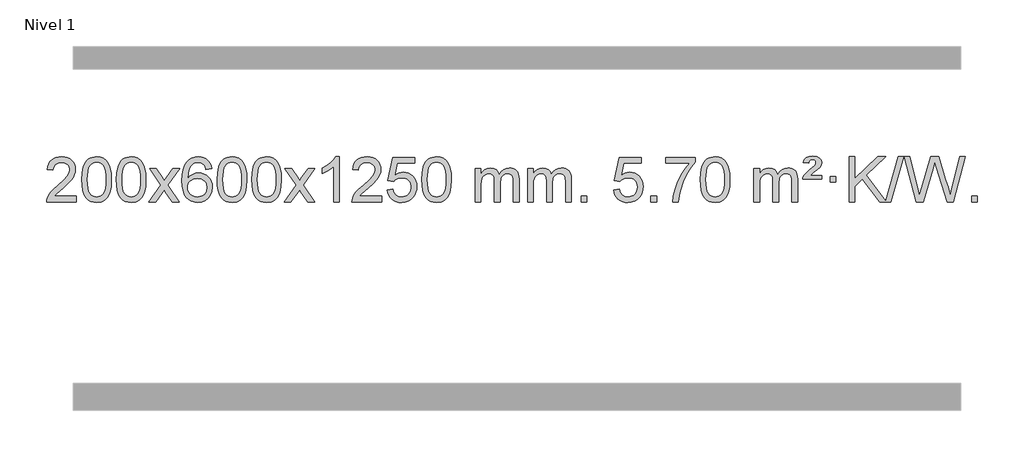
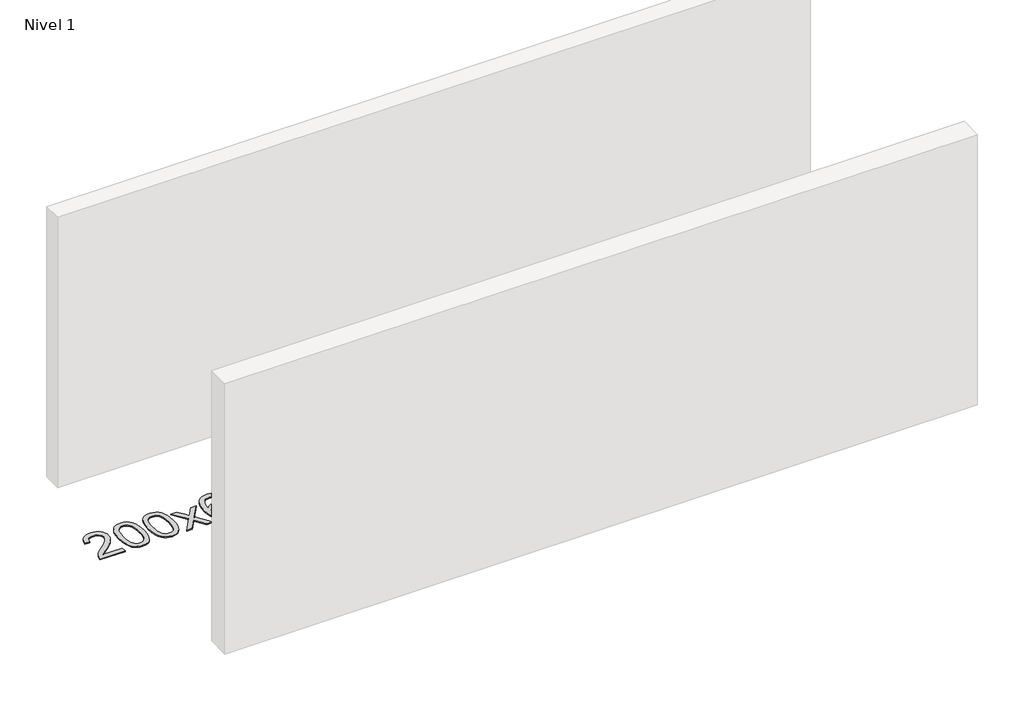
# One storey, part 3 of 12: 1 proxy.
"""IFC4 building model written with IfcOpenShell, lengths in millimetres."""

from ifc_helpers import new_model, si_unit, origin, origin_with_axes, place, context, project, spatial, polyline, outline, extrude, element, save

model = new_model("IFC4")

# Units and contexts
model_context = context("Model", 3, world=origin())
ifc_project = project(units=[si_unit("LENGTHUNIT", "METRE", prefix="MILLI")], contexts=[model_context])

# Site, building, storey
site = spatial("IfcSite", under=ifc_project)
building = spatial("IfcBuilding", under=site)
storey = spatial("IfcBuildingStorey", under=building, Name="Nivel 1", Elevation=0.0)

# Proxy
placement = place(None, origin())
element("IfcBuildingElementProxy", 1, Name="Texto de modelo 1", ObjectType="Texto de modelo 1", at=placement, inside=storey, context=model_context, shape_type="SweptSolid", body=[
    extrude(outline(polyline([(-6506.3978655, -24365.3512979), (-6506.3978655, -24415.579453), (-6770.0956797, -24415.579453), (-6768.9920337, -24397.8965918), (-6764.7000771, -24380.9494945), (-6752.3147166, -24353.8856424), (-6734.190397, -24327.6311307), (-6707.9726734, -24300.1503456), (-6671.3071012, -24269.4076736), (-6617.1058206, -24221.2641831), (-6584.5850522, -24185.7267824), (-6568.3246681, -24156.884834), (-6562.90454, -24128.8277005), (-6568.0180997, -24103.6768347), (-6583.3587789, -24082.7688747), (-6606.9400148, -24068.6789943), (-6636.7752446, -24063.9823675), (-6668.1065279, -24068.5686297), (-6692.4480532, -24082.3274163), (-6708.1566144, -24104.1796068), (-6713.5890052, -24133.0460807), (-6763.8171603, -24126.7675613), (-6759.4976125, -24100.838012), (-6751.6402663, -24078.1826125), (-6740.2451215, -24058.8013627), (-6725.3121781, -24042.6942627), (-6707.1847928, -24030.0329907), (-6686.206322, -24020.989225), (-6662.3767658, -24015.5629655), (-6635.6961241, -24013.7542124), (-6608.7763591, -24015.7653006), (-6584.8180442, -24021.7985654), (-6563.8211793, -24031.8540066), (-6545.7857645, -24045.9316242), (-6531.3004109, -24062.9890861), (-6520.9537298, -24081.9840598), (-6514.7457211, -24102.9165453), (-6512.6763849, -24125.7865427), (-6514.9082024, -24149.8092369), (-6521.6036547, -24173.4149983), (-6533.4862431, -24197.4254299), (-6551.2794689, -24222.6621347), (-6579.6431708, -24252.7916701), (-6623.2371872, -24291.4805933), (-6681.0191859, -24339.795762), (-6703.6807168, -24365.3512979), (-6506.3978655, -24365.3512979)])), origin_with_axes(), (0.0, 0.0, 1.0), 10.0),
    extrude(outline(polyline([(-6456.1697105, -24217.9041943), (-6452.4786278, -24153.5861588), (-6441.4053797, -24102.2911459), (-6423.0603309, -24063.2343407), (-6411.2022679, -24048.0009605), (-6397.5538459, -24035.6309284), (-6382.0690796, -24026.0598651), (-6364.7019837, -24019.2233914), (-6324.3208034, -24013.7542124), (-6293.3696649, -24016.991574), (-6265.6558879, -24026.7036586), (-6242.4793222, -24042.5103217), (-6225.1398175, -24064.0314184), (-6212.0432185, -24091.0830078), (-6201.5953698, -24123.4811488), (-6194.7527647, -24164.6226186), (-6192.4718963, -24217.9041943), (-6196.1261908, -24281.8543477), (-6207.0890743, -24333.0267333), (-6225.3237585, -24372.1203266), (-6237.1542303, -24387.3996922), (-6250.7934553, -24399.8341036), (-6266.2966157, -24409.4695462), (-6283.7188939, -24416.3520052), (-6324.3208034, -24421.8579724), (-6351.9855294, -24419.4667394), (-6376.5109958, -24412.2930405), (-6397.8972024, -24400.3368757), (-6416.1441494, -24383.5982449), (-6433.6553324, -24353.3399508), (-6446.1633202, -24315.6381776), (-6453.6681129, -24270.4929255), (-6456.1697105, -24217.9041943)]), holes=[polyline([(-6405.9415554, -24217.8060924), (-6404.4700274, -24261.4706195), (-6400.0554435, -24296.8148822), (-6392.6978036, -24323.8388804), (-6382.3971077, -24342.5426142), (-6369.9381708, -24355.2682656), (-6356.1058078, -24364.3580165), (-6340.9000186, -24369.8118671), (-6324.3208034, -24371.6298173), (-6307.7415881, -24369.8057357), (-6292.535799, -24364.3334911), (-6278.703436, -24355.2130833), (-6266.2444991, -24342.4445124), (-6255.9438032, -24323.7101217), (-6248.5861633, -24296.6922549), (-6244.1715794, -24261.3909118), (-6242.7000514, -24217.8060924), (-6244.1225284, -24175.2973278), (-6248.3899596, -24140.5753989), (-6255.5023448, -24113.6403055), (-6265.4596842, -24094.4920476), (-6277.7101546, -24081.1440625), (-6291.7019332, -24071.6097875), (-6307.4350198, -24065.8892225), (-6324.9094146, -24063.9823675), (-6341.4027907, -24065.6623619), (-6356.3510624, -24070.7023452), (-6369.7542298, -24079.1023175), (-6381.6122928, -24090.8622786), (-6392.2563452, -24111.708925), (-6399.8592397, -24139.8151094), (-6404.4209765, -24175.1808319), (-6405.9415554, -24217.8060924)])]), origin_with_axes(), (0.0, 0.0, 1.0), 10.0),
    extrude(outline(polyline([(-6148.5222606, -24217.9041943), (-6144.8311779, -24153.5861588), (-6133.7579299, -24102.2911459), (-6115.4128811, -24063.2343407), (-6103.5548181, -24048.0009605), (-6089.9063961, -24035.6309284), (-6074.4216298, -24026.0598651), (-6057.0545339, -24019.2233914), (-6016.6733536, -24013.7542124), (-5985.722215, -24016.991574), (-5958.0084381, -24026.7036586), (-5934.8318724, -24042.5103217), (-5917.4923677, -24064.0314184), (-5904.3957686, -24091.0830078), (-5893.94792, -24123.4811488), (-5887.1053149, -24164.6226186), (-5884.8244465, -24217.9041943), (-5888.478741, -24281.8543477), (-5899.4416244, -24333.0267333), (-5917.6763087, -24372.1203266), (-5929.5067805, -24387.3996922), (-5943.1460055, -24399.8341036), (-5958.6491659, -24409.4695462), (-5976.071444, -24416.3520052), (-6016.6733536, -24421.8579724), (-6044.3380796, -24419.4667394), (-6068.8635459, -24412.2930405), (-6090.2497526, -24400.3368757), (-6108.4966996, -24383.5982449), (-6126.0078825, -24353.3399508), (-6138.5158704, -24315.6381776), (-6146.0206631, -24270.4929255), (-6148.5222606, -24217.9041943)]), holes=[polyline([(-6098.2941056, -24217.8060924), (-6096.8225776, -24261.4706195), (-6092.4079936, -24296.8148822), (-6085.0503537, -24323.8388804), (-6074.7496579, -24342.5426142), (-6062.290721, -24355.2682656), (-6048.4583579, -24364.3580165), (-6033.2525688, -24369.8118671), (-6016.6733536, -24371.6298173), (-6000.0941383, -24369.8057357), (-5984.8883492, -24364.3334911), (-5971.0559862, -24355.2130833), (-5958.5970493, -24342.4445124), (-5948.2963534, -24323.7101217), (-5940.9387135, -24296.6922549), (-5936.5241295, -24261.3909118), (-5935.0526016, -24217.8060924), (-5936.4750786, -24175.2973278), (-5940.7425098, -24140.5753989), (-5947.854895, -24113.6403055), (-5957.8122343, -24094.4920476), (-5970.0627048, -24081.1440625), (-5984.0544833, -24071.6097875), (-5999.78757, -24065.8892225), (-6017.2619648, -24063.9823675), (-6033.7553409, -24065.6623619), (-6048.7036126, -24070.7023452), (-6062.10678, -24079.1023175), (-6073.9648429, -24090.8622786), (-6084.6088953, -24111.708925), (-6092.2117899, -24139.8151094), (-6096.7735266, -24175.1808319), (-6098.2941056, -24217.8060924)])]), origin_with_axes(), (0.0, 0.0, 1.0), 10.0),
    extrude(outline(polyline([(-5859.7103689, -24415.579453), (-5752.3869282, -24267.2494325), (-5853.4318496, -24120.4890419), (-5793.0011005, -24120.4890419), (-5744.2444734, -24191.122385), (-5721.4848406, -24224.4770192), (-5701.7663657, -24197.2047007), (-5646.2407099, -24120.4890419), (-5585.8099608, -24120.4890419), (-5691.9561791, -24267.2494325), (-5589.7340354, -24415.579453), (-5650.1647845, -24415.579453), (-5711.6746541, -24326.4048574), (-5722.9563686, -24310.1199477), (-5799.2796199, -24415.579453), (-5859.7103689, -24415.579453)])), origin_with_axes(), (0.0, 0.0, 1.0), 10.0),
    extrude(outline(polyline([(-5300.9221437, -24120.4890419), (-5351.1502988, -24126.7675613), (-5359.2437027, -24101.874213), (-5370.1820607, -24084.8780648), (-5392.9662189, -24069.2062918), (-5420.5083176, -24063.9823675), (-5443.8565616, -24067.0235253), (-5465.8313794, -24076.1469988), (-5484.7037258, -24095.3627017), (-5500.1179814, -24121.8134171), (-5510.5290419, -24159.227016), (-5514.3918028, -24211.3313693), (-5494.2441322, -24187.8237098), (-5470.0988106, -24171.2567573), (-5443.3047386, -24161.434308), (-5415.2108169, -24158.1601582), (-5391.077758, -24160.398107), (-5368.8086346, -24167.1119534), (-5348.4034466, -24178.3016975), (-5329.862194, -24193.9673391), (-5314.4540698, -24213.1769106), (-5303.4482668, -24234.9984443), (-5296.844785, -24259.4319401), (-5294.6436244, -24286.4773982), (-5298.7884282, -24322.4439945), (-5311.2228396, -24355.786366), (-5330.9167891, -24384.0642287), (-5356.840207, -24404.8372987), (-5387.815871, -24417.602804), (-5422.6665587, -24421.8579724), (-5452.6090874, -24419.0375437), (-5479.6514797, -24410.5762579), (-5503.7937357, -24396.4741147), (-5525.0358552, -24376.7311143), (-5542.3539001, -24350.5133908), (-5554.7239322, -24316.9870783), (-5562.1459515, -24276.1521768), (-5564.6199579, -24228.0086864), (-5561.8731057, -24174.0342663), (-5553.632549, -24127.9693092), (-5539.8982878, -24089.8138149), (-5520.6703222, -24059.5677835), (-5499.8298072, -24039.5243462), (-5475.6660915, -24025.2076052), (-5448.179175, -24016.6175606), (-5417.3690579, -24013.7542124), (-5394.2354118, -24015.5261773), (-5373.2967949, -24020.8420722), (-5354.5532073, -24029.7018969), (-5338.0046489, -24042.1056515), (-5324.0987094, -24057.6364031), (-5313.2829788, -24075.8772186), (-5305.5574569, -24096.8280983), (-5300.9221437, -24120.4890419)]), holes=[polyline([(-5514.3918028, -24285.6925832), (-5511.485535, -24307.9494439), (-5502.7667318, -24329.2007605), (-5489.2286743, -24347.472233), (-5471.8646442, -24360.7895612), (-5450.9076332, -24368.9197533), (-5426.5906333, -24371.6298173), (-5393.4444655, -24366.0134855), (-5379.5293291, -24358.9930708), (-5367.3861575, -24349.1644901), (-5357.5361171, -24336.9262824), (-5350.500374, -24322.6769865), (-5344.8717794, -24288.1451299), (-5350.4267976, -24254.9989621), (-5357.3705702, -24241.3781312), (-5367.0918519, -24229.725469), (-5379.2718117, -24220.3904634), (-5393.5916183, -24213.7226022), (-5428.6507725, -24208.3883133), (-5461.7478893, -24213.7226022), (-5489.4248781, -24229.725469), (-5500.3479076, -24241.2248471), (-5508.1500716, -24254.3858254), (-5512.83137, -24269.2084042), (-5514.3918028, -24285.6925832)])]), origin_with_axes(), (0.0, 0.0, 1.0), 10.0),
    extrude(outline(polyline([(-5250.6939887, -24217.9041943), (-5247.002906, -24153.5861588), (-5235.9296579, -24102.2911459), (-5217.5846091, -24063.2343407), (-5205.7265461, -24048.0009605), (-5192.0781241, -24035.6309284), (-5176.5933578, -24026.0598651), (-5159.2262619, -24019.2233914), (-5118.8450816, -24013.7542124), (-5087.8939431, -24016.991574), (-5060.1801661, -24026.7036586), (-5037.0036004, -24042.5103217), (-5019.6640957, -24064.0314184), (-5006.5674967, -24091.0830078), (-4996.119648, -24123.4811488), (-4989.2770429, -24164.6226186), (-4986.9961745, -24217.9041943), (-4990.650469, -24281.8543477), (-5001.6133525, -24333.0267333), (-5019.8480367, -24372.1203266), (-5031.6785085, -24387.3996922), (-5045.3177335, -24399.8341036), (-5060.8208939, -24409.4695462), (-5078.2431721, -24416.3520052), (-5118.8450816, -24421.8579724), (-5146.5098076, -24419.4667394), (-5171.035274, -24412.2930405), (-5192.4214806, -24400.3368757), (-5210.6684276, -24383.5982449), (-5228.1796106, -24353.3399508), (-5240.6875984, -24315.6381776), (-5248.1923911, -24270.4929255), (-5250.6939887, -24217.9041943)]), holes=[polyline([(-5200.4658336, -24217.8060924), (-5198.9943056, -24261.4706195), (-5194.5797217, -24296.8148822), (-5187.2220818, -24323.8388804), (-5176.9213859, -24342.5426142), (-5164.462449, -24355.2682656), (-5150.630086, -24364.3580165), (-5135.4242968, -24369.8118671), (-5118.8450816, -24371.6298173), (-5102.2658663, -24369.8057357), (-5087.0600772, -24364.3334911), (-5073.2277142, -24355.2130833), (-5060.7687773, -24342.4445124), (-5050.4680814, -24323.7101217), (-5043.1104415, -24296.6922549), (-5038.6958576, -24261.3909118), (-5037.2243296, -24217.8060924), (-5038.6468066, -24175.2973278), (-5042.9142378, -24140.5753989), (-5050.026623, -24113.6403055), (-5059.9839624, -24094.4920476), (-5072.2344328, -24081.1440625), (-5086.2262114, -24071.6097875), (-5101.959298, -24065.8892225), (-5119.4336928, -24063.9823675), (-5135.9270689, -24065.6623619), (-5150.8753406, -24070.7023452), (-5164.278508, -24079.1023175), (-5176.136571, -24090.8622786), (-5186.7806234, -24111.708925), (-5194.3835179, -24139.8151094), (-5198.9452547, -24175.1808319), (-5200.4658336, -24217.8060924)])]), origin_with_axes(), (0.0, 0.0, 1.0), 10.0),
    extrude(outline(polyline([(-4943.0465388, -24217.9041943), (-4939.3554561, -24153.5861588), (-4928.2822081, -24102.2911459), (-4909.9371593, -24063.2343407), (-4898.0790963, -24048.0009605), (-4884.4306743, -24035.6309284), (-4868.945908, -24026.0598651), (-4851.5788121, -24019.2233914), (-4811.1976318, -24013.7542124), (-4780.2464932, -24016.991574), (-4752.5327163, -24026.7036586), (-4729.3561506, -24042.5103217), (-4712.0166459, -24064.0314184), (-4698.9200468, -24091.0830078), (-4688.4721982, -24123.4811488), (-4681.6295931, -24164.6226186), (-4679.3487247, -24217.9041943), (-4683.0030192, -24281.8543477), (-4693.9659026, -24333.0267333), (-4712.2005869, -24372.1203266), (-4724.0310587, -24387.3996922), (-4737.6702837, -24399.8341036), (-4753.1734441, -24409.4695462), (-4770.5957222, -24416.3520052), (-4811.1976318, -24421.8579724), (-4838.8623578, -24419.4667394), (-4863.3878241, -24412.2930405), (-4884.7740308, -24400.3368757), (-4903.0209778, -24383.5982449), (-4920.5321607, -24353.3399508), (-4933.0401486, -24315.6381776), (-4940.5449413, -24270.4929255), (-4943.0465388, -24217.9041943)]), holes=[polyline([(-4892.8183838, -24217.8060924), (-4891.3468558, -24261.4706195), (-4886.9322718, -24296.8148822), (-4879.5746319, -24323.8388804), (-4869.2739361, -24342.5426142), (-4856.8149992, -24355.2682656), (-4842.9826361, -24364.3580165), (-4827.776847, -24369.8118671), (-4811.1976318, -24371.6298173), (-4794.6184165, -24369.8057357), (-4779.4126274, -24364.3334911), (-4765.5802644, -24355.2130833), (-4753.1213275, -24342.4445124), (-4742.8206316, -24323.7101217), (-4735.4629917, -24296.6922549), (-4731.0484077, -24261.3909118), (-4729.5768798, -24217.8060924), (-4730.9993568, -24175.2973278), (-4735.266788, -24140.5753989), (-4742.3791732, -24113.6403055), (-4752.3365125, -24094.4920476), (-4764.586983, -24081.1440625), (-4778.5787615, -24071.6097875), (-4794.3118482, -24065.8892225), (-4811.786243, -24063.9823675), (-4828.2796191, -24065.6623619), (-4843.2278908, -24070.7023452), (-4856.6310582, -24079.1023175), (-4868.4891211, -24090.8622786), (-4879.1331735, -24111.708925), (-4886.7360681, -24139.8151094), (-4891.2978048, -24175.1808319), (-4892.8183838, -24217.8060924)])]), origin_with_axes(), (0.0, 0.0, 1.0), 10.0),
    extrude(outline(polyline([(-4654.2346472, -24415.579453), (-4546.9112064, -24267.2494325), (-4647.9561278, -24120.4890419), (-4587.5253787, -24120.4890419), (-4538.7687516, -24191.122385), (-4516.0091188, -24224.4770192), (-4496.2906439, -24197.2047007), (-4440.7649881, -24120.4890419), (-4380.334239, -24120.4890419), (-4486.4804574, -24267.2494325), (-4384.2583136, -24415.579453), (-4444.6890627, -24415.579453), (-4506.1989323, -24326.4048574), (-4517.4806468, -24310.1199477), (-4593.8038981, -24415.579453), (-4654.2346472, -24415.579453)])), origin_with_axes(), (0.0, 0.0, 1.0), 10.0),
    extrude(outline(polyline([(-4164.5101352, -24415.579453), (-4214.7382902, -24415.579453), (-4214.7382902, -24102.4382987), (-4235.707564, -24119.3976587), (-4262.317695, -24136.3324932), (-4315.1946004, -24161.6918254), (-4315.1946004, -24114.2105225), (-4275.7453878, -24092.7507395), (-4241.5691504, -24067.219729), (-4214.6279257, -24040.0700378), (-4196.8837508, -24013.7542124), (-4164.5101352, -24013.7542124), (-4164.5101352, -24415.579453)])), origin_with_axes(), (0.0, 0.0, 1.0), 10.0),
    extrude(outline(polyline([(-3787.7989721, -24365.3512979), (-3787.7989721, -24415.579453), (-4051.4967863, -24415.579453), (-4050.3931403, -24397.8965918), (-4046.1011837, -24380.9494945), (-4033.7158232, -24353.8856424), (-4015.5915035, -24327.6311307), (-3989.37378, -24300.1503456), (-3952.7082078, -24269.4076736), (-3898.5069272, -24221.2641831), (-3865.9861588, -24185.7267824), (-3849.7257746, -24156.884834), (-3844.3056466, -24128.8277005), (-3849.4192063, -24103.6768347), (-3864.7598855, -24082.7688747), (-3888.3411214, -24068.6789943), (-3918.1763512, -24063.9823675), (-3949.5076345, -24068.5686297), (-3973.8491598, -24082.3274163), (-3989.557721, -24104.1796068), (-3994.9901118, -24133.0460807), (-4045.2182669, -24126.7675613), (-4040.8987191, -24100.838012), (-4033.0413728, -24078.1826125), (-4021.646228, -24058.8013627), (-4006.7132847, -24042.6942627), (-3988.5858994, -24030.0329907), (-3967.6074286, -24020.989225), (-3943.7778724, -24015.5629655), (-3917.0972307, -24013.7542124), (-3890.1774657, -24015.7653006), (-3866.2191508, -24021.7985654), (-3845.2222859, -24031.8540066), (-3827.1868711, -24045.9316242), (-3812.7015175, -24062.9890861), (-3802.3548364, -24081.9840598), (-3796.1468277, -24102.9165453), (-3794.0774915, -24125.7865427), (-3796.3093089, -24149.8092369), (-3803.0047612, -24173.4149983), (-3814.8873497, -24197.4254299), (-3832.6805755, -24222.6621347), (-3861.0442774, -24252.7916701), (-3904.6382938, -24291.4805933), (-3962.4202925, -24339.795762), (-3985.0818234, -24365.3512979), (-3787.7989721, -24365.3512979)])), origin_with_axes(), (0.0, 0.0, 1.0), 10.0),
    extrude(outline(polyline([(-3737.570817, -24308.8446235), (-3687.342662, -24302.5661041), (-3678.1210866, -24332.7201649), (-3662.0323807, -24354.3148381), (-3639.1501206, -24367.3010725), (-3609.5478827, -24371.6298173), (-3590.418019, -24370.1245668), (-3573.5444981, -24365.6088153), (-3558.9273202, -24358.0825628), (-3546.5664851, -24347.5458094), (-3536.7379045, -24334.519721), (-3529.7174898, -24319.5254641), (-3524.101158, -24283.6324441), (-3529.3618705, -24249.8363514), (-3535.9377612, -24235.9181493), (-3545.1440081, -24223.9865099), (-3557.0112681, -24214.4154467), (-3571.5701981, -24207.5789729), (-3608.7630678, -24202.1097939), (-3633.1291186, -24204.2925604), (-3652.8598563, -24210.8408599), (-3668.6174684, -24220.8717757), (-3681.0641426, -24233.5023908), (-3731.2922977, -24227.2238715), (-3687.342662, -24020.0327318), (-3492.708561, -24020.0327318), (-3492.708561, -24070.2608869), (-3646.7284897, -24070.2608869), (-3668.2127982, -24180.919791), (-3650.4870174, -24168.2155994), (-3632.332041, -24159.1411769), (-3613.7478688, -24153.6965234), (-3594.734501, -24151.8816388), (-3570.273414, -24154.1318504), (-3547.8050212, -24160.882485), (-3527.3293225, -24172.1335427), (-3508.8463179, -24187.8850234), (-3493.5454926, -24207.1743027), (-3482.6163316, -24229.038756), (-3476.0588351, -24253.4783832), (-3473.8730029, -24280.4931844), (-3475.8411716, -24306.5147042), (-3481.7456776, -24330.7213394), (-3491.586521, -24353.1130902), (-3505.3637017, -24373.6899565), (-3526.2348735, -24394.7634634), (-3550.5886616, -24409.8159684), (-3578.4250659, -24418.8474714), (-3609.7440864, -24421.8579724), (-3635.6644387, -24419.9235262), (-3659.077062, -24414.1201877), (-3679.9819564, -24404.447957), (-3698.3791218, -24390.9068338), (-3713.6860785, -24374.1712688), (-3725.3203466, -24354.915712), (-3733.2819261, -24333.1401636), (-3737.570817, -24308.8446235)])), origin_with_axes(), (0.0, 0.0, 1.0), 10.0),
    extrude(outline(polyline([(-3429.9233672, -24217.9041943), (-3426.2322845, -24153.5861588), (-3415.1590365, -24102.2911459), (-3396.8139876, -24063.2343407), (-3384.9559247, -24048.0009605), (-3371.3075026, -24035.6309284), (-3355.8227363, -24026.0598651), (-3338.4556405, -24019.2233914), (-3298.0744601, -24013.7542124), (-3267.1233216, -24016.991574), (-3239.4095446, -24026.7036586), (-3216.2329789, -24042.5103217), (-3198.8934742, -24064.0314184), (-3185.7968752, -24091.0830078), (-3175.3490265, -24123.4811488), (-3168.5064214, -24164.6226186), (-3166.2255531, -24217.9041943), (-3169.8798475, -24281.8543477), (-3180.842731, -24333.0267333), (-3199.0774152, -24372.1203266), (-3210.9078871, -24387.3996922), (-3224.547112, -24399.8341036), (-3240.0502724, -24409.4695462), (-3257.4725506, -24416.3520052), (-3298.0744601, -24421.8579724), (-3325.7391862, -24419.4667394), (-3350.2646525, -24412.2930405), (-3371.6508592, -24400.3368757), (-3389.8978061, -24383.5982449), (-3407.4089891, -24353.3399508), (-3419.9169769, -24315.6381776), (-3427.4217696, -24270.4929255), (-3429.9233672, -24217.9041943)]), holes=[polyline([(-3379.6952121, -24217.8060924), (-3378.2236842, -24261.4706195), (-3373.8091002, -24296.8148822), (-3366.4514603, -24323.8388804), (-3356.1507644, -24342.5426142), (-3343.6918275, -24355.2682656), (-3329.8594645, -24364.3580165), (-3314.6536754, -24369.8118671), (-3298.0744601, -24371.6298173), (-3281.4952449, -24369.8057357), (-3266.2894558, -24364.3334911), (-3252.4570927, -24355.2130833), (-3239.9981558, -24342.4445124), (-3229.69746, -24323.7101217), (-3222.3398201, -24296.6922549), (-3217.9252361, -24261.3909118), (-3216.4537081, -24217.8060924), (-3217.8761852, -24175.2973278), (-3222.1436163, -24140.5753989), (-3229.2560016, -24113.6403055), (-3239.2133409, -24094.4920476), (-3251.4638113, -24081.1440625), (-3265.4555899, -24071.6097875), (-3281.1886766, -24065.8892225), (-3298.6630713, -24063.9823675), (-3315.1564474, -24065.6623619), (-3330.1047192, -24070.7023452), (-3343.5078865, -24079.1023175), (-3355.3659495, -24090.8622786), (-3366.0100019, -24111.708925), (-3373.6128965, -24139.8151094), (-3378.1746332, -24175.1808319), (-3379.6952121, -24217.8060924)])]), origin_with_axes(), (0.0, 0.0, 1.0), 10.0),
    extrude(outline(polyline([(-2952.755894, -24415.579453), (-2952.755894, -24120.4890419), (-2902.5277389, -24120.4890419), (-2902.5277389, -24169.0494653), (-2887.4200517, -24146.7435537), (-2867.9958823, -24129.2691589), (-2844.9174185, -24117.9751816), (-2818.8468478, -24114.2105225), (-2790.9123416, -24118.048758), (-2768.5205908, -24129.5634645), (-2751.7942228, -24147.9943524), (-2740.8558648, -24172.5811324), (-2722.5476041, -24147.0439906), (-2701.6641696, -24128.803175), (-2678.205561, -24117.8586857), (-2652.1717785, -24114.2105225), (-2632.0639617, -24115.7280358), (-2614.414823, -24120.2805755), (-2599.2243623, -24127.8681416), (-2586.4925796, -24138.4907342), (-2576.4279413, -24152.2709806), (-2569.238914, -24169.3315082), (-2564.9254976, -24189.6723168), (-2563.4876922, -24213.2934066), (-2563.4876922, -24415.579453), (-2613.7158472, -24415.579453), (-2613.7158472, -24234.875817), (-2614.8808069, -24209.8230531), (-2618.3756858, -24192.9372695), (-2624.9239854, -24181.3735121), (-2635.2492067, -24172.2868268), (-2648.5297467, -24166.4007149), (-2663.9440023, -24164.4386776), (-2691.1550072, -24169.4663982), (-2713.3382915, -24184.54956), (-2721.9436645, -24196.1194488), (-2728.0903595, -24210.7182326), (-2733.0077155, -24249.0024856), (-2733.0077155, -24415.579453), (-2783.2358706, -24415.579453), (-2783.2358706, -24229.2840106), (-2786.1421384, -24200.8835206), (-2794.8609417, -24180.6254854), (-2810.2016209, -24168.4853796), (-2832.9735164, -24164.4386776), (-2852.3241093, -24167.1364789), (-2870.1541233, -24175.2298828), (-2884.8694032, -24188.5226856), (-2894.8757934, -24206.8186835), (-2900.6147525, -24232.2025411), (-2902.5277389, -24266.7589232), (-2902.5277389, -24415.579453), (-2952.755894, -24415.579453)])), origin_with_axes(), (0.0, 0.0, 1.0), 10.0),
    extrude(outline(polyline([(-2488.1454596, -24415.579453), (-2488.1454596, -24120.4890419), (-2437.9173045, -24120.4890419), (-2437.9173045, -24169.0494653), (-2422.8096172, -24146.7435537), (-2403.3854479, -24129.2691589), (-2380.306984, -24117.9751816), (-2354.2364133, -24114.2105225), (-2326.3019071, -24118.048758), (-2303.9101564, -24129.5634645), (-2287.1837883, -24147.9943524), (-2276.2454303, -24172.5811324), (-2257.9371697, -24147.0439906), (-2237.0537351, -24128.803175), (-2213.5951266, -24117.8586857), (-2187.561344, -24114.2105225), (-2167.4535273, -24115.7280358), (-2149.8043886, -24120.2805755), (-2134.6139279, -24127.8681416), (-2121.8821452, -24138.4907342), (-2111.8175069, -24152.2709806), (-2104.6284796, -24169.3315082), (-2100.3150632, -24189.6723168), (-2098.8772577, -24213.2934066), (-2098.8772577, -24415.579453), (-2149.1054128, -24415.579453), (-2149.1054128, -24234.875817), (-2150.2703724, -24209.8230531), (-2153.7652514, -24192.9372695), (-2160.3135509, -24181.3735121), (-2170.6387722, -24172.2868268), (-2183.9193123, -24166.4007149), (-2199.3335679, -24164.4386776), (-2226.5445728, -24169.4663982), (-2248.7278571, -24184.54956), (-2257.3332301, -24196.1194488), (-2263.4799251, -24210.7182326), (-2268.3972811, -24249.0024856), (-2268.3972811, -24415.579453), (-2318.6254362, -24415.579453), (-2318.6254362, -24229.2840106), (-2321.5317039, -24200.8835206), (-2330.2505072, -24180.6254854), (-2345.5911864, -24168.4853796), (-2368.3630819, -24164.4386776), (-2387.7136749, -24167.1364789), (-2405.5436889, -24175.2298828), (-2420.2589687, -24188.5226856), (-2430.265359, -24206.8186835), (-2436.0043181, -24232.2025411), (-2437.9173045, -24266.7589232), (-2437.9173045, -24415.579453), (-2488.1454596, -24415.579453)])), origin_with_axes(), (0.0, 0.0, 1.0), 10.0),
    extrude(outline(polyline([(-2010.9779863, -24415.579453), (-2010.9779863, -24365.3512979), (-1960.7498313, -24365.3512979), (-1960.7498313, -24415.579453), (-2010.9779863, -24415.579453)])), origin_with_axes(), (0.0, 0.0, 1.0), 10.0),
    extrude(outline(polyline([(-1722.1660947, -24308.8446235), (-1671.9379396, -24302.5661041), (-1662.7163642, -24332.7201649), (-1646.6276583, -24354.3148381), (-1623.7453982, -24367.3010725), (-1594.1431603, -24371.6298173), (-1575.0132966, -24370.1245668), (-1558.1397757, -24365.6088153), (-1543.5225978, -24358.0825628), (-1531.1617628, -24347.5458094), (-1521.3331821, -24334.519721), (-1514.3127674, -24319.5254641), (-1508.6964356, -24283.6324441), (-1513.9571481, -24249.8363514), (-1520.5330388, -24235.9181493), (-1529.7392857, -24223.9865099), (-1541.6065457, -24214.4154467), (-1556.1654757, -24207.5789729), (-1593.3583454, -24202.1097939), (-1617.7243962, -24204.2925604), (-1637.4551339, -24210.8408599), (-1653.212746, -24220.8717757), (-1665.6594202, -24233.5023908), (-1715.8875753, -24227.2238715), (-1671.9379396, -24020.0327318), (-1477.3038387, -24020.0327318), (-1477.3038387, -24070.2608869), (-1631.3237673, -24070.2608869), (-1652.8080758, -24180.919791), (-1635.082295, -24168.2155994), (-1616.9273186, -24159.1411769), (-1598.3431465, -24153.6965234), (-1579.3297787, -24151.8816388), (-1554.8686917, -24154.1318504), (-1532.4002988, -24160.882485), (-1511.9246001, -24172.1335427), (-1493.4415955, -24187.8850234), (-1478.1407702, -24207.1743027), (-1467.2116093, -24229.038756), (-1460.6541127, -24253.4783832), (-1458.4682805, -24280.4931844), (-1460.4364492, -24306.5147042), (-1466.3409552, -24330.7213394), (-1476.1817986, -24353.1130902), (-1489.9589793, -24373.6899565), (-1510.8301512, -24394.7634634), (-1535.1839392, -24409.8159684), (-1563.0203435, -24418.8474714), (-1594.3393641, -24421.8579724), (-1620.2597163, -24419.9235262), (-1643.6723396, -24414.1201877), (-1664.577234, -24404.447957), (-1682.9743994, -24390.9068338), (-1698.2813561, -24374.1712688), (-1709.9156242, -24354.915712), (-1717.8772037, -24333.1401636), (-1722.1660947, -24308.8446235)])), origin_with_axes(), (0.0, 0.0, 1.0), 10.0),
    extrude(outline(polyline([(-1389.4045673, -24415.579453), (-1389.4045673, -24365.3512979), (-1339.1764122, -24365.3512979), (-1339.1764122, -24415.579453), (-1389.4045673, -24415.579453)])), origin_with_axes(), (0.0, 0.0, 1.0), 10.0),
    extrude(outline(polyline([(-1257.5556602, -24070.2608869), (-1257.5556602, -24020.0327318), (-993.8578461, -24020.0327318), (-993.8578461, -24060.646904), (-1031.4431233, -24108.214046), (-1068.6605184, -24168.7061088), (-1101.4878551, -24236.6048623), (-1125.9029569, -24306.3920768), (-1137.8713845, -24358.6067947), (-1144.5423113, -24415.579453), (-1194.7704664, -24415.579453), (-1189.3380756, -24363.8061935), (-1174.8067368, -24302.2717985), (-1151.5688574, -24237.0463207), (-1120.016845, -24174.1998132), (-1083.1795945, -24117.3865704), (-1044.0860012, -24070.2608869), (-1257.5556602, -24070.2608869)])), origin_with_axes(), (0.0, 0.0, 1.0), 10.0),
    extrude(outline(polyline([(-949.9082104, -24217.9041943), (-946.2171277, -24153.5861588), (-935.1438796, -24102.2911459), (-916.7988308, -24063.2343407), (-904.9407678, -24048.0009605), (-891.2923458, -24035.6309284), (-875.8075795, -24026.0598651), (-858.4404837, -24019.2233914), (-818.0593033, -24013.7542124), (-787.1081648, -24016.991574), (-759.3943878, -24026.7036586), (-736.2178221, -24042.5103217), (-718.8783174, -24064.0314184), (-705.7817184, -24091.0830078), (-695.3338697, -24123.4811488), (-688.4912646, -24164.6226186), (-686.2103962, -24217.9041943), (-689.8646907, -24281.8543477), (-700.8275742, -24333.0267333), (-719.0622584, -24372.1203266), (-730.8927302, -24387.3996922), (-744.5319552, -24399.8341036), (-760.0351156, -24409.4695462), (-777.4573938, -24416.3520052), (-818.0593033, -24421.8579724), (-845.7240294, -24419.4667394), (-870.2494957, -24412.2930405), (-891.6357024, -24400.3368757), (-909.8826493, -24383.5982449), (-927.3938323, -24353.3399508), (-939.9018201, -24315.6381776), (-947.4066128, -24270.4929255), (-949.9082104, -24217.9041943)]), holes=[polyline([(-899.6800553, -24217.8060924), (-898.2085273, -24261.4706195), (-893.7939434, -24296.8148822), (-886.4363035, -24323.8388804), (-876.1356076, -24342.5426142), (-863.6766707, -24355.2682656), (-849.8443077, -24364.3580165), (-834.6385186, -24369.8118671), (-818.0593033, -24371.6298173), (-801.4800881, -24369.8057357), (-786.2742989, -24364.3334911), (-772.4419359, -24355.2130833), (-759.982999, -24342.4445124), (-749.6823031, -24323.7101217), (-742.3246632, -24296.6922549), (-737.9100793, -24261.3909118), (-736.4385513, -24217.8060924), (-737.8610284, -24175.2973278), (-742.1284595, -24140.5753989), (-749.2408448, -24113.6403055), (-759.1981841, -24094.4920476), (-771.4486545, -24081.1440625), (-785.4404331, -24071.6097875), (-801.1735197, -24065.8892225), (-818.6479145, -24063.9823675), (-835.1412906, -24065.6623619), (-850.0895624, -24070.7023452), (-863.4927297, -24079.1023175), (-875.3507927, -24090.8622786), (-885.9948451, -24111.708925), (-893.5977397, -24139.8151094), (-898.1594764, -24175.1808319), (-899.6800553, -24217.8060924)])]), origin_with_axes(), (0.0, 0.0, 1.0), 10.0),
    extrude(outline(polyline([(-472.7407372, -24415.579453), (-472.7407372, -24120.4890419), (-422.5125821, -24120.4890419), (-422.5125821, -24169.0494653), (-407.4048948, -24146.7435537), (-387.9807255, -24129.2691589), (-364.9022617, -24117.9751816), (-338.8316909, -24114.2105225), (-310.8971848, -24118.048758), (-288.505434, -24129.5634645), (-271.7790659, -24147.9943524), (-260.840708, -24172.5811324), (-242.5324473, -24147.0439906), (-221.6490127, -24128.803175), (-198.1904042, -24117.8586857), (-172.1566217, -24114.2105225), (-152.0488049, -24115.7280358), (-134.3996662, -24120.2805755), (-119.2092055, -24127.8681416), (-106.4774228, -24138.4907342), (-96.4127845, -24152.2709806), (-89.2237572, -24169.3315082), (-84.9103408, -24189.6723168), (-83.4725353, -24213.2934066), (-83.4725353, -24415.579453), (-133.7006904, -24415.579453), (-133.7006904, -24234.875817), (-134.8656501, -24209.8230531), (-138.360529, -24192.9372695), (-144.9088285, -24181.3735121), (-155.2340499, -24172.2868268), (-168.5145899, -24166.4007149), (-183.9288455, -24164.4386776), (-211.1398504, -24169.4663982), (-233.3231347, -24184.54956), (-241.9285077, -24196.1194488), (-248.0752027, -24210.7182326), (-252.9925587, -24249.0024856), (-252.9925587, -24415.579453), (-303.2207138, -24415.579453), (-303.2207138, -24229.2840106), (-306.1269816, -24200.8835206), (-314.8457848, -24180.6254854), (-330.186464, -24168.4853796), (-352.9583595, -24164.4386776), (-372.3089525, -24167.1364789), (-390.1389665, -24175.2298828), (-404.8542463, -24188.5226856), (-414.8606366, -24206.8186835), (-420.5995957, -24232.2025411), (-422.5125821, -24266.7589232), (-422.5125821, -24415.579453), (-472.7407372, -24415.579453)])), origin_with_axes(), (0.0, 0.0, 1.0), 10.0),
    extrude(outline(polyline([(-39.5228997, -24214.6668327), (-35.6969269, -24198.8479069), (-27.3582683, -24182.9799302), (-5.8494344, -24157.8413272), (26.1072483, -24130.1030247), (70.2530877, -24092.726214), (77.3899984, -24081.1992448), (79.7689686, -24069.3779701), (77.8805077, -24057.2869152), (72.215125, -24047.5012541), (62.8463969, -24041.026531), (49.8478997, -24038.8682899), (37.4134883, -24040.4869707), (28.5597949, -24045.343013), (22.1341227, -24054.8098431), (16.9837748, -24070.2608869), (-33.2443803, -24063.9823675), (-22.4041241, -24038.7701881), (-5.775858, -24021.2099542), (17.9893189, -24010.9092583), (50.2403072, -24007.475693), (86.0229626, -24011.6082341), (110.7691581, -24024.0058573), (125.1901323, -24042.3386434), (129.9971237, -24064.2766731), (125.9013708, -24087.1834586), (113.6141122, -24108.8149199), (93.0862969, -24128.6314968), (56.6169284, -24156.6886303), (31.0123416, -24183.2742358), (129.9971237, -24183.2742358), (129.9971237, -24214.6668327), (-39.5228997, -24214.6668327)])), origin_with_axes(), (0.0, 0.0, 1.0), 10.0),
    extrude(outline(polyline([(205.3393563, -24239.7809102), (205.3393563, -24189.5527552), (255.5675114, -24189.5527552), (255.5675114, -24239.7809102), (205.3393563, -24239.7809102)])), origin_with_axes(), (0.0, 0.0, 1.0), 10.0),
    extrude(outline(polyline([(646.2091394, -24415.579453), (492.7778219, -24212.9009991), (425.0875348, -24277.4520265), (425.0875348, -24415.579453), (374.8593797, -24415.579453), (374.8593797, -24013.7542124), (425.0875348, -24013.7542124), (425.0875348, -24210.4484525), (631.1014521, -24013.7542124), (701.3423877, -24013.7542124), (528.388799, -24178.9577537), (703.0424089, -24409.5349332), (814.3557366, -24013.7542124), (859.6787984, -24013.7542124), (746.6654495, -24415.579453), (707.6209071, -24415.579453), (701.3423877, -24415.579453), (646.2091394, -24415.579453)])), origin_with_axes(), (0.0, 0.0, 1.0), 10.0),
    extrude(outline(polyline([(974.1636753, -24415.579453), (864.5838917, -24013.7542124), (916.3816766, -24013.7542124), (979.9516854, -24277.844434), (999.5720585, -24359.3670841), (1020.5658576, -24287.2622131), (1100.2245723, -24013.7542124), (1174.8800919, -24013.7542124), (1232.7601925, -24212.0180823), (1257.5554389, -24285.5944814), (1275.8269114, -24359.3670841), (1294.8586732, -24280.1988788), (1359.0172932, -24013.7542124), (1410.8150781, -24013.7542124), (1301.1371926, -24415.579453), (1247.4754723, -24415.579453), (1151.1394405, -24105.5775584), (1137.6994849, -24062.3146358), (1122.5917976, -24114.4067263), (1034.7906281, -24415.579453), (974.1636753, -24415.579453)])), origin_with_axes(), (0.0, 0.0, 1.0), 10.0),
    extrude(outline(polyline([(1467.3217526, -24415.579453), (1467.3217526, -24365.3512979), (1517.5499077, -24365.3512979), (1517.5499077, -24415.579453), (1467.3217526, -24415.579453)])), origin_with_axes(), (0.0, 0.0, 1.0), 10.0),
])

save(model, "model.ifc")
